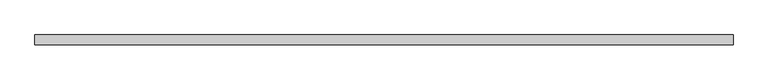
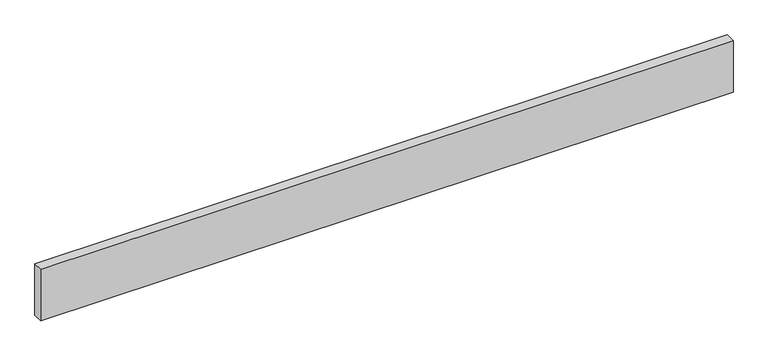
"""IFC4 building model written with IfcOpenShell, lengths in millimetres: beam geometry."""

import ifcopenshell
import ifcopenshell.guid

model = None  # the IFC model being written
_history = None  # IfcOwnerHistory: only IFC2X3 demands one
_inside = {}  # id of a spatial element -> (the spatial element, [elements in it])
_under = {}  # id of a project, library or spatial element -> (it, [spatial elements below it])
_declared = {}  # id of a project -> (the project, [libraries it declares])
_typed = {}  # id of a type object -> (the type object, [elements of that type])
_made_of = {}  # id of a material, layer set ... -> (it, [elements and type objects made of it])


def new_model(schema):
    """Start an empty IFC model of exactly this schema.

    Asked for "IFC4X3", IfcOpenShell would pick the latest addendum, in which some entities
    have other attributes; the version numbers below select the first issue.
    IFC2X3 requires an IfcOwnerHistory on every rooted entity: one is made here for all.
    """
    global model, _history
    if schema == "IFC4X3":
        model = ifcopenshell.file(schema_version=(4, 3, 0, 0))
    else:
        model = ifcopenshell.file(schema=schema)
    _inside.clear()
    _under.clear()
    _declared.clear()
    _typed.clear()
    _made_of.clear()
    _history = None
    if model.schema == "IFC2X3":
        org = make("IfcOrganization", Name="unknown")
        user = make(
            "IfcPersonAndOrganization",
            ThePerson=make("IfcPerson", FamilyName="unknown"),
            TheOrganization=org,
        )
        app = make(
            "IfcApplication",
            ApplicationDeveloper=org,
            Version="unknown",
            ApplicationFullName="unknown",
            ApplicationIdentifier="unknown",
        )
        _history = make(
            "IfcOwnerHistory",
            OwningUser=user,
            OwningApplication=app,
            ChangeAction="ADDED",
            CreationDate=0,
        )
    return model


def make(cls, **values):
    """One entity of the class cls with the attributes given. An attribute that is None is left unset."""
    return model.create_entity(
        cls, **{name: value for name, value in values.items() if value is not None}
    )


def rooted(cls, **values):
    """An entity with a GlobalId (a new one), such as an element, a storey or a relation."""
    return make(cls, GlobalId=ifcopenshell.guid.new(), OwnerHistory=_history, **values)


def si_unit(unit_type, name, prefix=None):
    """IfcSIUnit, for example si_unit("LENGTHUNIT", "METRE", prefix="MILLI")."""
    return make("IfcSIUnit", UnitType=unit_type, Prefix=prefix, Name=name)


def assignment(units):
    """IfcUnitAssignment: the units of a project."""
    return None if units is None else make("IfcUnitAssignment", Units=units)


def point(xyz):
    """IfcCartesianPoint."""
    return None if xyz is None else make("IfcCartesianPoint", Coordinates=xyz)


def direction(xyz):
    """IfcDirection."""
    return None if xyz is None else make("IfcDirection", DirectionRatios=xyz)


def frame(location, z_axis=None, x_axis=None):
    """IfcAxis2Placement3D, a coordinate frame: its origin and axes. An axis left out is left unset."""
    return make(
        "IfcAxis2Placement3D",
        Location=point(location),
        Axis=direction(z_axis),
        RefDirection=direction(x_axis),
    )


def origin():
    """The frame at (0, 0, 0) with its axes left unset."""
    return frame((0.0, 0.0, 0.0))


def place(relative_to, where):
    """IfcLocalPlacement: puts the frame where relative to a parent placement (None: the world)."""
    return make(
        "IfcLocalPlacement", PlacementRelTo=relative_to, RelativePlacement=where
    )


def context(
    kind, dimensions, precision=None, world=None, true_north=None, identifier=None
):
    """IfcGeometricRepresentationContext, for example the 3D "Model" context."""
    return make(
        "IfcGeometricRepresentationContext",
        ContextIdentifier=identifier,
        ContextType=kind,
        CoordinateSpaceDimension=dimensions,
        Precision=precision,
        WorldCoordinateSystem=world,
        TrueNorth=true_north,
    )


def project(units=None, contexts=None):
    """IfcProject with its units and contexts."""
    return rooted(
        "IfcProject",
        Name="project",
        RepresentationContexts=contexts,
        UnitsInContext=assignment(units),
    )


def spatial(cls, under=None, at=None, **own):
    """A site, building, storey or space (cls), placed at a placement, below another one or the project."""
    s = rooted(cls, ObjectPlacement=at, **own)
    if under is not None:
        _under.setdefault(under.id(), (under, []))[1].append(s)
    return s


def polyline(points):
    """IfcPolyline through the points."""
    return make("IfcPolyline", Points=[point(p) for p in points])


def outline(outer, holes=None, kind="AREA"):
    """IfcArbitraryClosedProfileDef: a profile drawn as a closed curve; with holes, ...WithVoids."""
    if holes is None:
        return make("IfcArbitraryClosedProfileDef", ProfileType=kind, OuterCurve=outer)
    return make(
        "IfcArbitraryProfileDefWithVoids",
        ProfileType=kind,
        OuterCurve=outer,
        InnerCurves=holes,
    )


def extrude(swept, where, along, depth):
    """IfcExtrudedAreaSolid: the profile swept, set in the frame where, extruded along a direction by depth."""
    return make(
        "IfcExtrudedAreaSolid",
        SweptArea=swept,
        Position=where,
        ExtrudedDirection=direction(along),
        Depth=depth,
    )


def shape(context_of_items, identifier, shape_type, items):
    """IfcShapeRepresentation: the items that make up one representation, for example the "Body"."""
    return make(
        "IfcShapeRepresentation",
        ContextOfItems=context_of_items,
        RepresentationIdentifier=identifier,
        RepresentationType=shape_type,
        Items=items,
    )


def source(mapping_origin, context_of_items, identifier, shape_type, items):
    """IfcRepresentationMap: a shape defined once, which mapped items show again and again."""
    return make(
        "IfcRepresentationMap",
        MappingOrigin=mapping_origin,
        MappedRepresentation=shape(context_of_items, identifier, shape_type, items),
    )


def transform(
    local_origin,
    x_axis=None,
    y_axis=None,
    z_axis=None,
    scale=None,
    scale2=None,
    scale3=None,
    uniform=True,
):
    """IfcCartesianTransformationOperator3D, or its non-uniform kind. x_axis, y_axis, z_axis: its Axis1, 2, 3."""
    if uniform:
        return make(
            "IfcCartesianTransformationOperator3D",
            Axis1=direction(x_axis),
            Axis2=direction(y_axis),
            LocalOrigin=point(local_origin),
            Scale=scale,
            Axis3=direction(z_axis),
        )
    return make(
        "IfcCartesianTransformationOperator3DnonUniform",
        Axis1=direction(x_axis),
        Axis2=direction(y_axis),
        LocalOrigin=point(local_origin),
        Scale=scale,
        Axis3=direction(z_axis),
        Scale2=scale2,
        Scale3=scale3,
    )


def mapped(mapping_source, mapping_target):
    """IfcMappedItem: shows the shape of a source again, moved by a transform."""
    return make(
        "IfcMappedItem", MappingSource=mapping_source, MappingTarget=mapping_target
    )


def made_of(thing, what):
    """Note that an element or type object is made of a material, layer set ...; save() writes the relation."""
    if what is not None:
        _made_of.setdefault(what.id(), (what, []))[1].append(thing)
    return thing


def element(
    cls,
    number,
    at=None,
    inside=None,
    cuts=None,
    type_object=None,
    material=None,
    context=None,
    identifier="Body",
    shape_type=None,
    held_by="IfcProductDefinitionShape",
    body=None,
    shapes=None,
    **own,
):
    """One element of the class cls, such as IfcWall. Its Tag is "e" and its number.

    at: its placement. inside: the storey or other place that contains it. cuts: it is an
    opening in that element (IfcRelVoidsElement). A single representation is given by context,
    identifier, shape_type and body (its items); several are given by shapes. held_by: the class
    of the entity that holds the representations. save() writes the other relations.
    """
    e = rooted(cls, Tag="e%d" % number, ObjectPlacement=at, **own)
    if body is not None:
        shapes = [shape(context, identifier, shape_type, body)]
    if shapes is not None:
        e.Representation = make(held_by, Representations=shapes)
    if inside is not None:
        _inside.setdefault(inside.id(), (inside, []))[1].append(e)
    if cuts is not None:
        rooted(
            "IfcRelVoidsElement", RelatingBuildingElement=cuts, RelatedOpeningElement=e
        )
    if type_object is not None:
        _typed.setdefault(type_object.id(), (type_object, []))[1].append(e)
    return made_of(e, material)


def aggregate(whole, parts):
    """IfcRelAggregates: a whole, such as a stair, and the parts it consists of."""
    return rooted("IfcRelAggregates", RelatingObject=whole, RelatedObjects=parts)


def save(model, path):
    """Write the relations noted so far, then the file.

    IfcRelAggregates (storeys below a building ...), IfcRelContainedInSpatialStructure (elements
    in a storey), IfcRelDefinesByType, IfcRelAssociatesMaterial and IfcRelDeclares: one each for
    every whole, place, type object, material and project.
    """
    for whole, parts in _under.values():
        aggregate(whole, parts)
    for where, things in _inside.values():
        rooted(
            "IfcRelContainedInSpatialStructure",
            RelatedElements=things,
            RelatingStructure=where,
        )
    for kind, things in _typed.values():
        rooted("IfcRelDefinesByType", RelatedObjects=things, RelatingType=kind)
    for what, things in _made_of.values():
        rooted("IfcRelAssociatesMaterial", RelatedObjects=things, RelatingMaterial=what)
    for by, libraries in _declared.values():
        rooted("IfcRelDeclares", RelatingContext=by, RelatedDefinitions=libraries)
    model.write(path)


def beam_c2c4aec8(model_context):
    return source(origin(), model_context, "Body", "SweptSolid", [
        extrude(outline(polyline([(1272.5, -18.0), (-1272.5, -18.0), (-1272.5, 18.0), (1272.5, 18.0), (1272.5, -18.0)])), frame((0.0, 0.0, -100.0), z_axis=(0.0, 0.0, 1.0), x_axis=(1.0, 0.0, 0.0)), (0.0, 0.0, 1.0), 200.0),
    ])


if __name__ == "__main__":
    model = new_model("IFC4")
    model_context = context("Model", 3, world=origin())
    ifc_project = project(units=[si_unit("LENGTHUNIT", "METRE", prefix="MILLI")], contexts=[model_context])
    site = spatial("IfcSite", under=ifc_project)
    building = spatial("IfcBuilding", under=site)
    placement = place(None, origin())
    beam_shape = beam_c2c4aec8(model_context)
    element("IfcBeam", 1, at=placement, inside=building, context=model_context, shape_type="MappedRepresentation", body=[
        mapped(beam_shape, transform((0.0, 0.0, 0.0), x_axis=(1.0, 0.0, 0.0), y_axis=(0.0, 1.0, 0.0), z_axis=(0.0, 0.0, 1.0))),
    ])
    save(model, "model.ifc")
